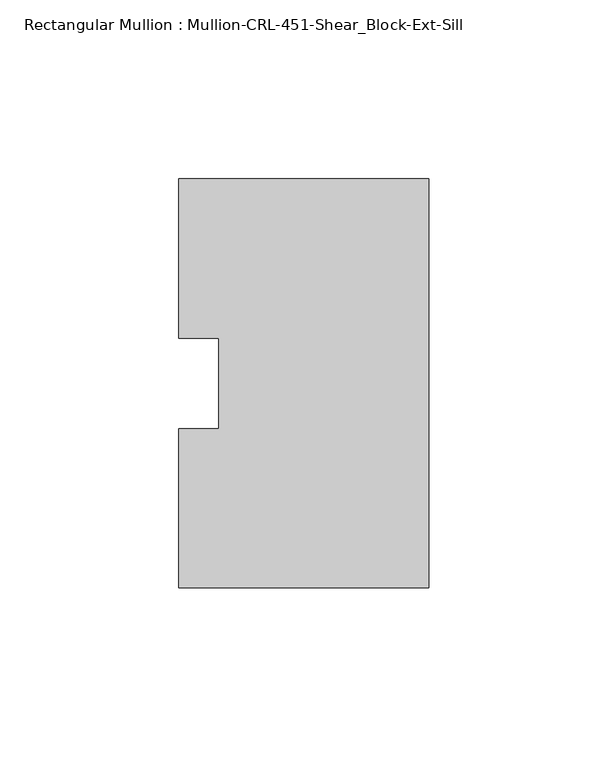
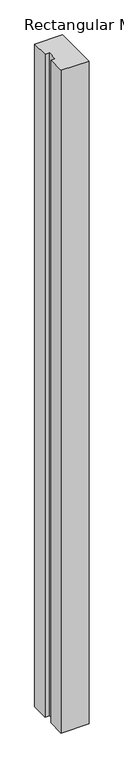
"""IFC4 building model written with IfcOpenShell, lengths in millimetres: member geometry, Rectangular Mullion : Mullion-CRL-451-Shear_Block-Ext-Sill."""

from ifc_helpers import new_model, si_unit, frame, origin, place, context, project, spatial, polyline, outline, extrude, source, transform, mapped, element, save


def rectangular_mullion_mullion_crl_451_shear_block_ext_sill_27a6e5b2(model_context):
    return source(origin(), model_context, "Body", "SweptSolid", [
        extrude(outline(polyline([(0.0, 57.1500171), (0.0, -57.1499829), (-69.85, -57.1499829), (-69.85, -12.7000171), (-58.7375, -12.7000171), (-58.7375, 12.7000171), (-69.85, 12.7000171), (-69.85, 57.1500171), (0.0, 57.1500171)])), frame((0.0, 0.0, -1752.6), z_axis=(0.0, 0.0, 1.0), x_axis=(1.0, 0.0, 0.0)), (0.0, 0.0, 1.0), 1752.6),
    ])


if __name__ == "__main__":
    model = new_model("IFC4")
    model_context = context("Model", 3, world=origin())
    ifc_project = project(units=[si_unit("LENGTHUNIT", "METRE", prefix="MILLI")], contexts=[model_context])
    site = spatial("IfcSite", under=ifc_project)
    building = spatial("IfcBuilding", under=site)
    placement = place(None, origin())
    rectangular_mullion_mullion_crl_451_shear_block_ext_sill_shape = rectangular_mullion_mullion_crl_451_shear_block_ext_sill_27a6e5b2(model_context)
    element("IfcMember", 1, ObjectType="Rectangular Mullion : Mullion-CRL-451-Shear_Block-Ext-Sill", at=placement, inside=building, context=model_context, shape_type="MappedRepresentation", body=[
        mapped(rectangular_mullion_mullion_crl_451_shear_block_ext_sill_shape, transform((0.0, 0.0, 0.0), x_axis=(1.0, 0.0, 0.0), y_axis=(0.0, 1.0, 0.0), z_axis=(0.0, 0.0, 1.0))),
    ])
    save(model, "model.ifc")
